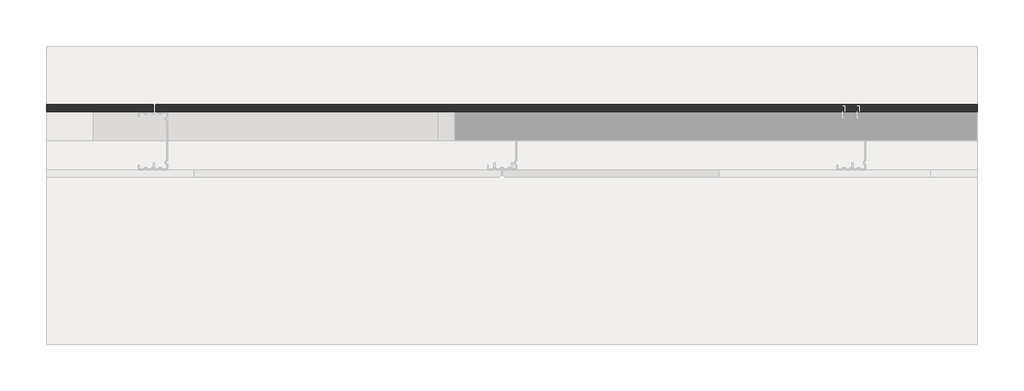
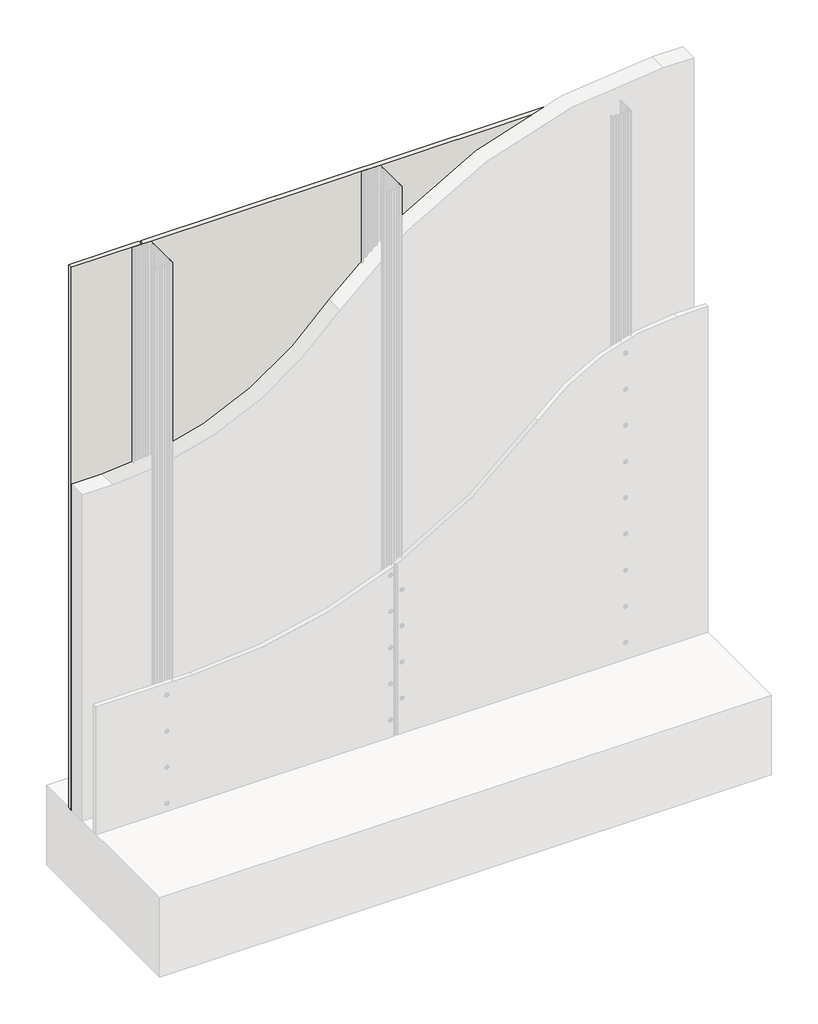
# One storey, part 1 of 3: 1 wall.
"""IFC4 building model written with IfcOpenShell, lengths in millimetres."""

from ifc_helpers import new_model, si_unit, frame, origin, place, context, project, spatial, polyline, circle_curve, element, save
from ifc_brep_helpers import plane_surface, revolved_surface, advanced_brep

model = new_model("IFC4")

# Units and contexts
model_context = context("Model", 3, world=origin())
ifc_project = project(units=[si_unit("LENGTHUNIT", "METRE", prefix="MILLI")], contexts=[model_context])

# Site, building, storey
site = spatial("IfcSite", under=ifc_project)
building = spatial("IfcBuilding", under=site)
storey = spatial("IfcBuildingStorey", under=building, Elevation=0.0)

# Wall
placement = place(None, origin())
element("IfcWall", 1, at=placement, inside=storey, context=model_context, shape_type="AdvancedBrep", body=[
    advanced_brep(
    [(6791.3841513, 494.643389, 0.0), (6974.3841513, 494.643389, 0.0), (6974.3841513, 494.643389, 1500.0), (6791.3841513, 494.643389, 1500.0), (6959.7926697, 494.643389, 777.8790251), (6962.9756328, 494.643389, 777.8790251), (6974.3841513, 507.143389, 0.0), (6791.3841513, 507.143389, 0.0), (6791.3841513, 507.143389, 1500.0), (6974.3841513, 507.143389, 1500.0), (6966.3841513, 507.143389, 777.8790251), (6956.3841513, 507.143389, 777.8790251), (6963.2497593, 505.333747, 777.8790251), (6959.5185432, 505.333747, 777.8790251)],
    [
        (0, 1),
        (1, 2),
        (2, 3),
        (3, 0),
        (4, 5, circle_curve(frame((6961.3841513, 494.643389, 777.8790251), z_axis=(0.0, 1.0, 0.0), x_axis=(-1.0, 0.0, 0.0)), 1.5914815)),
        (5, 4, circle_curve(frame((6961.3841513, 494.643389, 777.8790251), z_axis=(0.0, 1.0, 0.0), x_axis=(-1.0, 0.0, 0.0)), 1.5914815)),
        (6, 7),
        (7, 8),
        (8, 9),
        (9, 6),
        (10, 11, circle_curve(frame((6961.3841513, 507.143389, 777.8790251), z_axis=(0.0, -1.0, 0.0), x_axis=(-1.0, 0.0, 0.0)), 5.0)),
        (11, 10, circle_curve(frame((6961.3841513, 507.143389, 777.8790251), z_axis=(0.0, -1.0, 0.0), x_axis=(-1.0, 0.0, 0.0)), 5.0)),
        (0, 7),
        (6, 1),
        (3, 8),
        (9, 2),
        (10, 12),
        (12, 13, circle_curve(frame((6961.3841513, 505.333747, 777.8790251), z_axis=(0.0, -1.0, 0.0), x_axis=(-1.0, 0.0, 0.0)), 1.865608)),
        (13, 11),
        (13, 12, circle_curve(frame((6961.3841513, 505.333747, 777.8790251), z_axis=(0.0, -1.0, 0.0), x_axis=(-1.0, 0.0, 0.0)), 1.865608)),
        (12, 5),
        (4, 13),
    ],
    [
        plane_surface(frame((6951.3841513, 494.643389, 0.0), z_axis=(0.0, -1.0, 0.0), x_axis=(1.0, 0.0, 0.0))),
        plane_surface(frame((6951.3841513, 507.143389, 0.0), z_axis=(0.0, 1.0, 0.0), x_axis=(-1.0, 0.0, 0.0))),
        plane_surface(frame((6791.3841513, 494.643389, 0.0), z_axis=(0.0, 0.0, -1.0), x_axis=(0.0, 1.0, 0.0))),
        plane_surface(frame((6791.3841513, 494.643389, 1500.0), z_axis=(-1.0, 0.0, 0.0), x_axis=(0.0, 1.0, 0.0))),
        plane_surface(frame((6974.3841513, 494.643389, 0.0), z_axis=(1.0, 0.0, 0.0), x_axis=(0.0, 1.0, 0.0))),
        plane_surface(frame((6974.3841513, 494.643389, 1500.0), z_axis=(0.0, 0.0, 1.0), x_axis=(0.0, 1.0, 0.0))),
        revolved_surface(polyline([(6956.3841513, 507.143389, 777.8790251), (6959.5185432, 505.333747, 777.8790251)]), (6961.3841513, -492.856611, 777.8790251), (0.0, 1.0, 0.0)),
        revolved_surface(polyline([(6959.5185432, 505.333747, 777.8790251), (6960.0788242, 483.4839656, 777.8790251)]), (6961.3841513, -492.856611, 777.8790251), (0.0, 1.0, 0.0)),
    ],
    [
        (0, [[1, 2, 3, 4], [5, 6]]),
        (1, [[7, 8, 9, 10], [11, 12]]),
        (2, [[-1, 13, -7, 14]]),
        (3, [[-4, 15, -8, -13]]),
        (4, [[-2, -14, -10, 16]]),
        (5, [[-3, -16, -9, -15]]),
        (6, [[17, 18, 19, -11]]),
        (6, [[-17, -12, -19, 20]]),
        (7, [[-18, 21, -5, 22]]),
        (7, [[-20, -22, -6, -21]]),
    ],
),
    advanced_brep(
    [(8391.3841513, 494.643389, 0.0), (8391.3841513, 494.643389, 1500.0), (6979.3841513, 494.643389, 1500.0), (6979.3841513, 494.643389, 0.0), (6984.7926697, 494.643389, 741.3934569), (6987.9756328, 494.643389, 741.3934569), (8159.7926697, 494.643389, 1362.7973081), (8162.9756328, 494.643389, 1362.7973081), (8184.7926697, 494.643389, 1421.9170764), (8187.9756328, 494.643389, 1421.9170764), (8159.7926697, 494.643389, 1462.7973081), (8162.9756328, 494.643389, 1462.7973081), (7572.5890375, 494.643389, 1062.5558297), (7575.7720006, 494.643389, 1062.5558297), (8391.3841513, 507.143389, 1500.0), (8391.3841513, 507.143389, 0.0), (6979.3841513, 507.143389, 0.0), (6979.3841513, 507.143389, 1500.0), (6991.3841513, 507.143389, 741.3934569), (6981.3841513, 507.143389, 741.3934569), (8166.3841513, 507.143389, 1362.7973081), (8156.3841513, 507.143389, 1362.7973081), (8191.3841513, 507.143389, 1421.9170764), (8181.3841513, 507.143389, 1421.9170764), (8166.3841513, 507.143389, 1462.7973081), (8156.3841513, 507.143389, 1462.7973081), (7579.180519, 507.143389, 1062.5558297), (7569.180519, 507.143389, 1062.5558297), (6988.2497593, 505.333747, 741.3934569), (6984.5185432, 505.333747, 741.3934569), (8163.2497593, 505.333747, 1362.7973081), (8159.5185432, 505.333747, 1362.7973081), (8188.2497593, 505.333747, 1421.9170764), (8184.5185432, 505.333747, 1421.9170764), (8163.2497593, 505.333747, 1462.7973081), (8159.5185432, 505.333747, 1462.7973081), (7576.0461271, 505.333747, 1062.5558297), (7572.314911, 505.333747, 1062.5558297)],
    [
        (0, 1),
        (1, 2),
        (2, 3),
        (3, 0),
        (4, 5, circle_curve(frame((6986.3841513, 494.643389, 741.3934569), z_axis=(0.0, 1.0, 0.0), x_axis=(-1.0, 0.0, 0.0)), 1.5914815)),
        (5, 4, circle_curve(frame((6986.3841513, 494.643389, 741.3934569), z_axis=(0.0, 1.0, 0.0), x_axis=(-1.0, 0.0, 0.0)), 1.5914815)),
        (6, 7, circle_curve(frame((8161.3841513, 494.643389, 1362.7973081), z_axis=(0.0, 1.0, 0.0), x_axis=(-1.0, 0.0, 0.0)), 1.5914815)),
        (7, 6, circle_curve(frame((8161.3841513, 494.643389, 1362.7973081), z_axis=(0.0, 1.0, 0.0), x_axis=(-1.0, 0.0, 0.0)), 1.5914815)),
        (8, 9, circle_curve(frame((8186.3841513, 494.643389, 1421.9170764), z_axis=(0.0, 1.0, 0.0), x_axis=(-1.0, 0.0, 0.0)), 1.5914815)),
        (9, 8, circle_curve(frame((8186.3841513, 494.643389, 1421.9170764), z_axis=(0.0, 1.0, 0.0), x_axis=(-1.0, 0.0, 0.0)), 1.5914815)),
        (10, 11, circle_curve(frame((8161.3841513, 494.643389, 1462.7973081), z_axis=(0.0, 1.0, 0.0), x_axis=(-1.0, 0.0, 0.0)), 1.5914815)),
        (11, 10, circle_curve(frame((8161.3841513, 494.643389, 1462.7973081), z_axis=(0.0, 1.0, 0.0), x_axis=(-1.0, 0.0, 0.0)), 1.5914815)),
        (12, 13, circle_curve(frame((7574.180519, 494.643389, 1062.5558297), z_axis=(0.0, 1.0, 0.0), x_axis=(-1.0, 0.0, 0.0)), 1.5914815)),
        (13, 12, circle_curve(frame((7574.180519, 494.643389, 1062.5558297), z_axis=(0.0, 1.0, 0.0), x_axis=(-1.0, 0.0, 0.0)), 1.5914815)),
        (14, 15),
        (15, 16),
        (16, 17),
        (17, 14),
        (18, 19, circle_curve(frame((6986.3841513, 507.143389, 741.3934569), z_axis=(0.0, -1.0, 0.0), x_axis=(-1.0, 0.0, 0.0)), 5.0)),
        (19, 18, circle_curve(frame((6986.3841513, 507.143389, 741.3934569), z_axis=(0.0, -1.0, 0.0), x_axis=(-1.0, 0.0, 0.0)), 5.0)),
        (20, 21, circle_curve(frame((8161.3841513, 507.143389, 1362.7973081), z_axis=(0.0, -1.0, 0.0), x_axis=(-1.0, 0.0, 0.0)), 5.0)),
        (21, 20, circle_curve(frame((8161.3841513, 507.143389, 1362.7973081), z_axis=(0.0, -1.0, 0.0), x_axis=(-1.0, 0.0, 0.0)), 5.0)),
        (22, 23, circle_curve(frame((8186.3841513, 507.143389, 1421.9170764), z_axis=(0.0, -1.0, 0.0), x_axis=(-1.0, 0.0, 0.0)), 5.0)),
        (23, 22, circle_curve(frame((8186.3841513, 507.143389, 1421.9170764), z_axis=(0.0, -1.0, 0.0), x_axis=(-1.0, 0.0, 0.0)), 5.0)),
        (24, 25, circle_curve(frame((8161.3841513, 507.143389, 1462.7973081), z_axis=(0.0, -1.0, 0.0), x_axis=(-1.0, 0.0, 0.0)), 5.0)),
        (25, 24, circle_curve(frame((8161.3841513, 507.143389, 1462.7973081), z_axis=(0.0, -1.0, 0.0), x_axis=(-1.0, 0.0, 0.0)), 5.0)),
        (26, 27, circle_curve(frame((7574.180519, 507.143389, 1062.5558297), z_axis=(0.0, -1.0, 0.0), x_axis=(-1.0, 0.0, 0.0)), 5.0)),
        (27, 26, circle_curve(frame((7574.180519, 507.143389, 1062.5558297), z_axis=(0.0, -1.0, 0.0), x_axis=(-1.0, 0.0, 0.0)), 5.0)),
        (0, 15),
        (14, 1),
        (17, 2),
        (16, 3),
        (18, 28),
        (28, 29, circle_curve(frame((6986.3841513, 505.333747, 741.3934569), z_axis=(0.0, -1.0, 0.0), x_axis=(-1.0, 0.0, 0.0)), 1.865608)),
        (29, 19),
        (29, 28, circle_curve(frame((6986.3841513, 505.333747, 741.3934569), z_axis=(0.0, -1.0, 0.0), x_axis=(-1.0, 0.0, 0.0)), 1.865608)),
        (28, 5),
        (4, 29),
        (20, 30),
        (30, 31, circle_curve(frame((8161.3841513, 505.333747, 1362.7973081), z_axis=(0.0, -1.0, 0.0), x_axis=(-1.0, 0.0, 0.0)), 1.865608)),
        (31, 21),
        (31, 30, circle_curve(frame((8161.3841513, 505.333747, 1362.7973081), z_axis=(0.0, -1.0, 0.0), x_axis=(-1.0, 0.0, 0.0)), 1.865608)),
        (30, 7),
        (6, 31),
        (22, 32),
        (32, 33, circle_curve(frame((8186.3841513, 505.333747, 1421.9170764), z_axis=(0.0, -1.0, 0.0), x_axis=(-1.0, 0.0, 0.0)), 1.865608)),
        (33, 23),
        (33, 32, circle_curve(frame((8186.3841513, 505.333747, 1421.9170764), z_axis=(0.0, -1.0, 0.0), x_axis=(-1.0, 0.0, 0.0)), 1.865608)),
        (32, 9),
        (8, 33),
        (24, 34),
        (34, 35, circle_curve(frame((8161.3841513, 505.333747, 1462.7973081), z_axis=(0.0, -1.0, 0.0), x_axis=(-1.0, 0.0, 0.0)), 1.865608)),
        (35, 25),
        (35, 34, circle_curve(frame((8161.3841513, 505.333747, 1462.7973081), z_axis=(0.0, -1.0, 0.0), x_axis=(-1.0, 0.0, 0.0)), 1.865608)),
        (34, 11),
        (10, 35),
        (26, 36),
        (36, 37, circle_curve(frame((7574.180519, 505.333747, 1062.5558297), z_axis=(0.0, -1.0, 0.0), x_axis=(-1.0, 0.0, 0.0)), 1.865608)),
        (37, 27),
        (37, 36, circle_curve(frame((7574.180519, 505.333747, 1062.5558297), z_axis=(0.0, -1.0, 0.0), x_axis=(-1.0, 0.0, 0.0)), 1.865608)),
        (36, 13),
        (12, 37),
    ],
    [
        plane_surface(frame((6951.3841513, 494.643389, 0.0), z_axis=(0.0, -1.0, 0.0), x_axis=(1.0, 0.0, 0.0))),
        plane_surface(frame((6951.3841513, 507.143389, 0.0), z_axis=(0.0, 1.0, 0.0), x_axis=(-1.0, 0.0, 0.0))),
        plane_surface(frame((8391.3841513, 494.643389, 0.0), z_axis=(1.0, 0.0, 0.0), x_axis=(0.0, 1.0, 0.0))),
        plane_surface(frame((8391.3841513, 494.643389, 1500.0), z_axis=(0.0, 0.0, 1.0), x_axis=(0.0, 1.0, 0.0))),
        plane_surface(frame((6979.3841513, 494.643389, 1500.0), z_axis=(-1.0, 0.0, 0.0), x_axis=(0.0, 1.0, 0.0))),
        plane_surface(frame((6979.3841513, 494.643389, 0.0), z_axis=(0.0, 0.0, -1.0), x_axis=(0.0, 1.0, 0.0))),
        revolved_surface(polyline([(6981.3841513, 507.143389, 741.3934569), (6984.5185432, 505.333747, 741.3934569)]), (6986.3841513, -492.856611, 741.3934569), (0.0, 1.0, 0.0)),
        revolved_surface(polyline([(6984.5185432, 505.333747, 741.3934569), (6985.0788242, 483.4839656, 741.3934569)]), (6986.3841513, -492.856611, 741.3934569), (0.0, 1.0, 0.0)),
        revolved_surface(polyline([(8156.3841513, 507.143389, 1362.7973081), (8159.5185432, 505.333747, 1362.7973081)]), (8161.3841513, -492.856611, 1362.7973081), (0.0, 1.0, 0.0)),
        revolved_surface(polyline([(8159.5185432, 505.333747, 1362.7973081), (8160.0788242, 483.4839656, 1362.7973081)]), (8161.3841513, -492.856611, 1362.7973081), (0.0, 1.0, 0.0)),
        revolved_surface(polyline([(8181.3841513, 507.143389, 1421.9170764), (8184.5185432, 505.333747, 1421.9170764)]), (8186.3841513, -492.856611, 1421.9170764), (0.0, 1.0, 0.0)),
        revolved_surface(polyline([(8184.5185432, 505.333747, 1421.9170764), (8185.0788242, 483.4839656, 1421.9170764)]), (8186.3841513, -492.856611, 1421.9170764), (0.0, 1.0, 0.0)),
        revolved_surface(polyline([(8156.3841513, 507.143389, 1462.7973081), (8159.5185432, 505.333747, 1462.7973081)]), (8161.3841513, -492.856611, 1462.7973081), (0.0, 1.0, 0.0)),
        revolved_surface(polyline([(8159.5185432, 505.333747, 1462.7973081), (8160.0788242, 483.4839656, 1462.7973081)]), (8161.3841513, -492.856611, 1462.7973081), (0.0, 1.0, 0.0)),
        revolved_surface(polyline([(7569.180519, 507.143389, 1062.5558297), (7572.314911, 505.333747, 1062.5558297)]), (7574.180519, -492.856611, 1062.5558297), (0.0, 1.0, 0.0)),
        revolved_surface(polyline([(7572.314911, 505.333747, 1062.5558297), (7572.875192, 483.4839656, 1062.5558297)]), (7574.180519, -492.856611, 1062.5558297), (0.0, 1.0, 0.0)),
    ],
    [
        (0, [[1, 2, 3, 4], [5, 6], [7, 8], [9, 10], [11, 12], [13, 14]]),
        (1, [[15, 16, 17, 18], [19, 20], [21, 22], [23, 24], [25, 26], [27, 28]]),
        (2, [[-1, 29, -15, 30]]),
        (3, [[-2, -30, -18, 31]]),
        (4, [[-3, -31, -17, 32]]),
        (5, [[-4, -32, -16, -29]]),
        (6, [[33, 34, 35, -19]]),
        (6, [[-33, -20, -35, 36]]),
        (7, [[-34, 37, -5, 38]]),
        (7, [[-36, -38, -6, -37]]),
        (8, [[39, 40, 41, -21]]),
        (8, [[-39, -22, -41, 42]]),
        (9, [[-40, 43, -7, 44]]),
        (9, [[-42, -44, -8, -43]]),
        (10, [[45, 46, 47, -23]]),
        (10, [[-45, -24, -47, 48]]),
        (11, [[-46, 49, -9, 50]]),
        (11, [[-48, -50, -10, -49]]),
        (12, [[51, 52, 53, -25]]),
        (12, [[-51, -26, -53, 54]]),
        (13, [[-52, 55, -11, 56]]),
        (13, [[-54, -56, -12, -55]]),
        (14, [[57, 58, 59, -27]]),
        (14, [[-57, -28, -59, 60]]),
        (15, [[-58, 61, -13, 62]]),
        (15, [[-60, -62, -14, -61]]),
    ],
),
])

save(model, "model.ifc")
